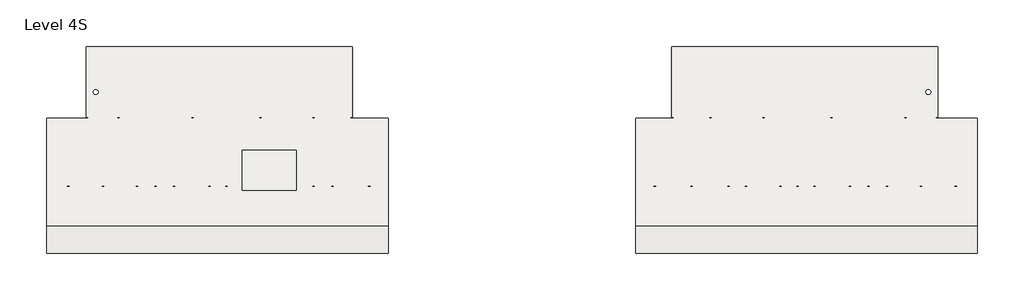
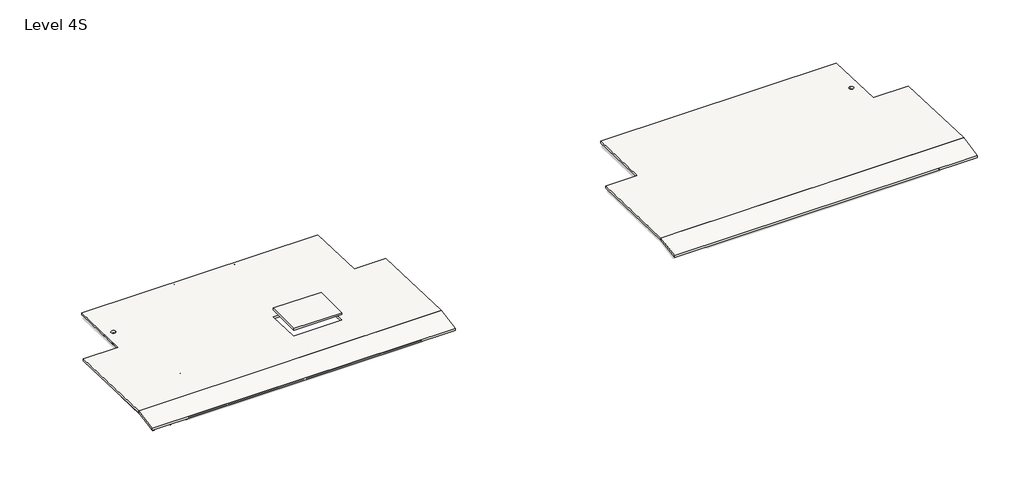
# One storey, part 1 of 15: 5 slabs, 4 beams.
"""IFC4 building model written with IfcOpenShell, lengths in millimetres."""

from ifc_helpers import new_model, si_unit, frame, origin, place, context, project, spatial, polyline, circle_curve, ellipse_curve, faceted_brep, element, save
from ifc_brep_helpers import plane_surface, revolved_surface, advanced_brep

model = new_model("IFC4")

# Units and contexts
model_context = context("Model", 3, world=origin())
ifc_project = project(units=[si_unit("LENGTHUNIT", "METRE", prefix="MILLI")], contexts=[model_context])

# Site, building, storey
site = spatial("IfcSite", under=ifc_project)
building = spatial("IfcBuilding", under=site)
storey = spatial("IfcBuildingStorey", under=building, Name="Level 4S", Elevation=15900.0)

# Beams
placement = place(None, origin())
element("IfcBeam", 1, ObjectType="IPE-Section : IPE 240", at=placement, inside=storey, context=model_context, shape_type="AdvancedBrep", body=[
    advanced_brep(
    [(-55658.8249186, -23184.2208998, 14451.6829017), (-55658.8249186, -23182.5280578, 14442.0302189), (-55538.8249186, -23182.5280578, 14442.0302189), (-55538.8249186, -23184.2208998, 14451.6829017), (-55580.7249186, -23184.2208998, 14451.6829017), (-55595.7249186, -23186.8119844, 14466.4574163), (-55595.7249186, -23219.7014858, 14653.9952543), (-55580.7249186, -23222.2925704, 14668.7697689), (-55538.8249186, -23222.2925704, 14668.7697689), (-55538.8249186, -23223.9854124, 14678.4224517), (-55658.8249186, -23223.9854124, 14678.4224517), (-55658.8249186, -23222.2925704, 14668.7697689), (-55616.9249186, -23222.2925704, 14668.7697689), (-55601.9249186, -23219.7014858, 14653.9952543), (-55601.9249186, -23186.8119844, 14466.4574163), (-55616.9249186, -23184.2208998, 14451.6829017), (-55616.9249186, -21092.1754011, 14818.5759721), (-55658.8249186, -21092.1754011, 14818.5759721), (-55601.9249186, -21093.2402347, 14833.6181534), (-55601.9249186, -21106.7565219, 15024.5535743), (-55616.9249186, -21107.8213555, 15039.5957556), (-55658.8249186, -21107.8213555, 15039.5957556), (-55658.8249186, -21108.5170467, 15049.423314), (-55538.8249186, -21108.5170467, 15049.423314), (-55538.8249186, -21107.8213555, 15039.5957556), (-55580.7249186, -21107.8213555, 15039.5957556), (-55595.7249186, -21106.7565219, 15024.5535743), (-55595.7249186, -21093.2402347, 14833.6181534), (-55580.7249186, -21092.1754011, 14818.5759721), (-55538.8249186, -21092.1754011, 14818.5759721), (-55538.8249186, -21091.4797099, 14808.7484137), (-55658.8249186, -21091.4797099, 14808.7484137)],
    [
        (0, 1),
        (1, 2),
        (2, 3),
        (3, 4),
        (4, 5, circle_curve(frame((-55580.7249186, -23186.8119844, 14466.4574163), z_axis=(0.0, 0.9849676368369048, 0.17273897760471782), x_axis=(1.0, 0.0, 0.0)), 15.0)),
        (5, 6),
        (6, 7, circle_curve(frame((-55580.7249186, -23219.7014858, 14653.9952543), z_axis=(0.0, 0.9849676368369048, 0.17273897760471782), x_axis=(1.0, 0.0, 0.0)), 15.0)),
        (7, 8),
        (8, 9),
        (9, 10),
        (10, 11),
        (11, 12),
        (12, 13, circle_curve(frame((-55616.9249186, -23219.7014858, 14653.9952543), z_axis=(0.0, 0.9849676368369048, 0.17273897760471782), x_axis=(1.0, 0.0, 0.0)), 15.0)),
        (13, 14),
        (14, 15, circle_curve(frame((-55616.9249186, -23186.8119844, 14466.4574163), z_axis=(0.0, 0.9849676368369048, 0.17273897760471782), x_axis=(1.0, 0.0, 0.0)), 15.0)),
        (15, 0),
        (16, 17),
        (17, 0),
        (15, 16),
        (18, 16, ellipse_curve(frame((-55616.9249186, -21093.2402347, 14833.6181534), z_axis=(0.0, 0.9975037774235432, 0.07061312927326088), x_axis=(0.0, 0.07061312927326037, -0.9975037774235433)), 15.0798239, 15.0)),
        (14, 18),
        (19, 18),
        (13, 19),
        (20, 19, ellipse_curve(frame((-55616.9249186, -21106.7565219, 15024.5535743), z_axis=(0.0, 0.9975037774235432, 0.07061312927326088), x_axis=(0.0, 0.07061312927326037, -0.9975037774235433)), 15.0798239, 15.0)),
        (12, 20),
        (21, 20),
        (11, 21),
        (22, 21),
        (10, 22),
        (23, 22),
        (9, 23),
        (24, 23),
        (8, 24),
        (25, 24),
        (7, 25),
        (26, 25, ellipse_curve(frame((-55580.7249186, -21106.7565219, 15024.5535743), z_axis=(0.0, 0.9975037774235432, 0.07061312927326088), x_axis=(0.0, 0.07061312927326037, -0.9975037774235433)), 15.0798239, 15.0)),
        (6, 26),
        (27, 26),
        (5, 27),
        (28, 27, ellipse_curve(frame((-55580.7249186, -21093.2402347, 14833.6181534), z_axis=(0.0, 0.9975037774235432, 0.07061312927326088), x_axis=(0.0, 0.07061312927326037, -0.9975037774235433)), 15.0798239, 15.0)),
        (4, 28),
        (29, 28),
        (3, 29),
        (30, 29),
        (2, 30),
        (31, 30),
        (1, 31),
        (17, 31),
    ],
    [
        plane_surface(frame((-55598.8249186, -23203.2567351, 14560.2263353), z_axis=(0.0, -0.9849676368369048, -0.17273897760471782), x_axis=(0.0, -0.17273897760471782, 0.9849676368369048))),
        plane_surface(frame((-55658.8249186, -21068.7525341, 14822.683764), z_axis=(0.0, -0.17273897760471782, 0.9849676368369048), x_axis=(0.0, -0.9849676368369048, -0.17273897760471782))),
        revolved_surface(polyline([(-55601.9249186, -23186.811984462965, 14466.457416246258), (-55601.9249186, -21091.71398358211, 14833.885820103322)]), (-55616.9249186, -21071.3436187, 14837.4582786), (0.0, -0.9849676368369048, -0.17273897760471782)),
        plane_surface(frame((-55601.9249186, -21071.3436187, 14837.4582786), z_axis=(-1.0, 0.0, 0.0), x_axis=(0.0, -0.9849676368369048, -0.17273897760471782))),
        revolved_surface(polyline([(-55601.9249186, -23219.70148580975, 14653.995254355592), (-55601.9249186, -21105.230270801516, 15024.821241113985)]), (-55616.9249186, -21104.2331201, 15024.9961167), (0.0, -0.9849676368369048, -0.17273897760471782)),
        plane_surface(frame((-55616.9249186, -21106.8242047, 15039.7706312), z_axis=(0.0, 0.17273897760471782, -0.9849676368369048), x_axis=(0.0, -0.9849676368369048, -0.17273897760471782))),
        plane_surface(frame((-55658.8249186, -21106.8242047, 15039.7706312), z_axis=(-1.0, 0.0, 0.0), x_axis=(0.0, -0.9849676368369048, -0.17273897760471782))),
        plane_surface(frame((-55658.8249186, -21108.5170467, 15049.423314), z_axis=(0.0, -0.17273897760471782, 0.9849676368369048), x_axis=(0.0, -0.9849676368369048, -0.17273897760471782))),
        plane_surface(frame((-55538.8249186, -21108.5170467, 15049.423314), z_axis=(1.0, 0.0, 0.0), x_axis=(0.0, -0.9849676368369048, -0.17273897760471782))),
        plane_surface(frame((-55538.8249186, -21106.8242047, 15039.7706312), z_axis=(0.0, 0.17273897760471782, -0.9849676368369048), x_axis=(0.0, -0.9849676368369048, -0.17273897760471782))),
        revolved_surface(polyline([(-55565.7249186, -23219.70148580975, 14653.995254355592), (-55565.7249186, -21105.230270801516, 15024.821241113985)]), (-55580.7249186, -21104.2331201, 15024.9961167), (0.0, -0.9849676368369048, -0.17273897760471782)),
        plane_surface(frame((-55595.7249186, -21104.2331201, 15024.9961167), z_axis=(1.0, 0.0, 0.0), x_axis=(0.0, -0.9849676368369048, -0.17273897760471782))),
        revolved_surface(polyline([(-55565.7249186, -23186.811984462965, 14466.457416246258), (-55565.7249186, -21091.71398358211, 14833.885820103322)]), (-55580.7249186, -21071.3436187, 14837.4582786), (0.0, -0.9849676368369048, -0.17273897760471782)),
        plane_surface(frame((-55580.7249186, -21068.7525341, 14822.683764), z_axis=(0.0, -0.17273897760471782, 0.9849676368369048), x_axis=(0.0, -0.9849676368369048, -0.17273897760471782))),
        plane_surface(frame((-55538.8249186, -21068.7525341, 14822.683764), z_axis=(1.0, 0.0, 0.0), x_axis=(0.0, -0.9849676368369048, -0.17273897760471782))),
        plane_surface(frame((-55538.8249186, -21067.0596921, 14813.0310812), z_axis=(0.0, 0.17273897760471782, -0.9849676368369048), x_axis=(0.0, -0.9849676368369048, -0.17273897760471782))),
        plane_surface(frame((-55658.8249186, -21067.0596921, 14813.0310812), z_axis=(-1.0, 0.0, 0.0), x_axis=(0.0, -0.9849676368369048, -0.17273897760471782))),
        plane_surface(frame((-55598.8249186, -21108.5170467, 15049.423314), z_axis=(0.0, 0.9975037774235432, 0.07061312927326088), x_axis=(1.0, 0.0, 0.0))),
    ],
    [
        (0, [[1, 2, 3, 4, 5, 6, 7, 8, 9, 10, 11, 12, 13, 14, 15, 16]]),
        (1, [[17, 18, -16, 19]]),
        (2, [[20, -19, -15, 21]]),
        (3, [[22, -21, -14, 23]]),
        (4, [[24, -23, -13, 25]]),
        (5, [[26, -25, -12, 27]]),
        (6, [[28, -27, -11, 29]]),
        (7, [[30, -29, -10, 31]]),
        (8, [[32, -31, -9, 33]]),
        (9, [[34, -33, -8, 35]]),
        (10, [[36, -35, -7, 37]]),
        (11, [[38, -37, -6, 39]]),
        (12, [[40, -39, -5, 41]]),
        (13, [[42, -41, -4, 43]]),
        (14, [[44, -43, -3, 45]]),
        (15, [[46, -45, -2, 47]]),
        (16, [[48, -47, -1, -18]]),
        (17, [[-17, -20, -22, -24, -26, -28, -30, -32, -34, -36, -38, -40, -42, -44, -46, -48]]),
    ],
),
])
element("IfcBeam", 2, ObjectType="IPE-Section : IPE 300", at=placement, inside=storey, context=model_context, shape_type="AdvancedBrep", body=[
    advanced_brep(
    [(-57252.5749186, -23133.8597928, 14400.5130236), (-57252.5749186, -23132.0114858, 14389.9738699), (-57102.5749186, -23132.0114858, 14389.9738699), (-57102.5749186, -23133.8597928, 14400.5130236), (-57159.0249186, -23133.8597928, 14400.5130236), (-57174.0249186, -23136.4508775, 14415.2875382), (-57174.0249186, -23179.3937873, 14660.1504927), (-57159.0249186, -23181.984872, 14674.9250073), (-57102.5749186, -23181.984872, 14674.9250073), (-57102.5749186, -23183.8331791, 14685.464161), (-57252.5749186, -23183.8331791, 14685.464161), (-57252.5749186, -23181.984872, 14674.9250073), (-57196.1249186, -23181.984872, 14674.9250073), (-57181.1249186, -23179.3937873, 14660.1504927), (-57181.1249186, -23136.4508775, 14415.2875382), (-57196.1249186, -23133.8597928, 14400.5130236), (-57196.1249186, -21087.9799569, 14759.3097779), (-57252.5749186, -21087.9799569, 14759.3097779), (-57181.1249186, -21089.0447905, 14774.3519592), (-57181.1249186, -21106.6926319, 15023.6510435), (-57196.1249186, -21107.7574654, 15038.6932247), (-57252.5749186, -21107.7574654, 15038.6932247), (-57252.5749186, -21108.5170467, 15049.423314), (-57102.5749186, -21108.5170467, 15049.423314), (-57102.5749186, -21107.7574654, 15038.6932247), (-57159.0249186, -21107.7574654, 15038.6932247), (-57174.0249186, -21106.6926319, 15023.6510435), (-57174.0249186, -21089.0447905, 14774.3519592), (-57159.0249186, -21087.9799569, 14759.3097779), (-57102.5749186, -21087.9799569, 14759.3097779), (-57102.5749186, -21087.2203757, 14748.5796886), (-57252.5749186, -21087.2203757, 14748.5796886)],
    [
        (0, 1),
        (1, 2),
        (2, 3),
        (3, 4),
        (4, 5, circle_curve(frame((-57159.0249186, -23136.4508775, 14415.2875382), z_axis=(0.0, 0.9849676368369048, 0.17273897760471782), x_axis=(1.0, 0.0, 0.0)), 15.0)),
        (5, 6),
        (6, 7, circle_curve(frame((-57159.0249186, -23179.3937873, 14660.1504927), z_axis=(0.0, 0.9849676368369048, 0.17273897760471782), x_axis=(1.0, 0.0, 0.0)), 15.0)),
        (7, 8),
        (8, 9),
        (9, 10),
        (10, 11),
        (11, 12),
        (12, 13, circle_curve(frame((-57196.1249186, -23179.3937873, 14660.1504927), z_axis=(0.0, 0.9849676368369048, 0.17273897760471782), x_axis=(1.0, 0.0, 0.0)), 15.0)),
        (13, 14),
        (14, 15, circle_curve(frame((-57196.1249186, -23136.4508775, 14415.2875382), z_axis=(0.0, 0.9849676368369048, 0.17273897760471782), x_axis=(1.0, 0.0, 0.0)), 15.0)),
        (15, 0),
        (16, 17),
        (17, 0),
        (15, 16),
        (18, 16, ellipse_curve(frame((-57196.1249186, -21089.0447905, 14774.3519592), z_axis=(0.0, 0.9975037774235432, 0.07061312927326102), x_axis=(0.0, 0.07061312927326045, -0.9975037774235433)), 15.0798239, 15.0)),
        (14, 18),
        (19, 18),
        (13, 19),
        (20, 19, ellipse_curve(frame((-57196.1249186, -21106.6926319, 15023.6510435), z_axis=(0.0, 0.9975037774235432, 0.07061312927326102), x_axis=(0.0, 0.07061312927326045, -0.9975037774235433)), 15.0798239, 15.0)),
        (12, 20),
        (21, 20),
        (11, 21),
        (22, 21),
        (10, 22),
        (23, 22),
        (9, 23),
        (24, 23),
        (8, 24),
        (25, 24),
        (7, 25),
        (26, 25, ellipse_curve(frame((-57159.0249186, -21106.6926319, 15023.6510435), z_axis=(0.0, 0.9975037774235432, 0.07061312927326102), x_axis=(0.0, 0.07061312927326045, -0.9975037774235433)), 15.0798239, 15.0)),
        (6, 26),
        (27, 26),
        (5, 27),
        (28, 27, ellipse_curve(frame((-57159.0249186, -21089.0447905, 14774.3519592), z_axis=(0.0, 0.9975037774235432, 0.07061312927326102), x_axis=(0.0, 0.07061312927326045, -0.9975037774235433)), 15.0798239, 15.0)),
        (4, 28),
        (29, 28),
        (3, 29),
        (30, 29),
        (2, 30),
        (31, 30),
        (1, 31),
        (17, 31),
    ],
    [
        plane_surface(frame((-57177.5749186, -23157.9223324, 14537.7190154), z_axis=(0.0, -0.9849676368369048, -0.17273897760471782), x_axis=(0.0, -0.17273897760471782, 0.9849676368369048))),
        plane_surface(frame((-57252.5749186, -21058.5436605, 14764.4721767), z_axis=(0.0, -0.17273897760471782, 0.9849676368369048), x_axis=(0.0, -0.9849676368369048, -0.17273897760471782))),
        revolved_surface(polyline([(-57181.1249186, -23136.45087750587, 14415.287538233479), (-57181.1249186, -21087.518539388486, 14774.619625939673)]), (-57196.1249186, -21061.1347452, 14779.2466913), (0.0, -0.9849676368369048, -0.17273897760471782)),
        plane_surface(frame((-57181.1249186, -21061.1347452, 14779.2466913), z_axis=(-1.0, 0.0, 0.0), x_axis=(0.0, -0.9849676368369048, -0.17273897760471782))),
        revolved_surface(polyline([(-57181.1249186, -23179.393787332658, 14660.15049272878), (-57181.1249186, -21105.16638074767, 15023.918710214391)]), (-57196.1249186, -21104.077655, 15024.1096458), (0.0, -0.9849676368369048, -0.17273897760471782)),
        plane_surface(frame((-57196.1249186, -21106.6687397, 15038.8841603), z_axis=(0.0, 0.17273897760471782, -0.9849676368369048), x_axis=(0.0, -0.9849676368369048, -0.17273897760471782))),
        plane_surface(frame((-57252.5749186, -21106.6687397, 15038.8841603), z_axis=(-1.0, 0.0, 0.0), x_axis=(0.0, -0.9849676368369048, -0.17273897760471782))),
        plane_surface(frame((-57252.5749186, -21108.5170467, 15049.423314), z_axis=(0.0, -0.17273897760471782, 0.9849676368369048), x_axis=(0.0, -0.9849676368369048, -0.17273897760471782))),
        plane_surface(frame((-57102.5749186, -21108.5170467, 15049.423314), z_axis=(1.0, 0.0, 0.0), x_axis=(0.0, -0.9849676368369048, -0.17273897760471782))),
        plane_surface(frame((-57102.5749186, -21106.6687397, 15038.8841603), z_axis=(0.0, 0.17273897760471782, -0.9849676368369048), x_axis=(0.0, -0.9849676368369048, -0.17273897760471782))),
        revolved_surface(polyline([(-57144.0249186, -23179.393787332658, 14660.15049272878), (-57144.0249186, -21105.16638074767, 15023.918710214391)]), (-57159.0249186, -21104.077655, 15024.1096458), (0.0, -0.9849676368369048, -0.17273897760471782)),
        plane_surface(frame((-57174.0249186, -21104.077655, 15024.1096458), z_axis=(1.0, 0.0, 0.0), x_axis=(0.0, -0.9849676368369048, -0.17273897760471782))),
        revolved_surface(polyline([(-57144.0249186, -23136.45087750587, 14415.287538233479), (-57144.0249186, -21087.518539388486, 14774.619625939673)]), (-57159.0249186, -21061.1347452, 14779.2466913), (0.0, -0.9849676368369048, -0.17273897760471782)),
        plane_surface(frame((-57159.0249186, -21058.5436605, 14764.4721767), z_axis=(0.0, -0.17273897760471782, 0.9849676368369048), x_axis=(0.0, -0.9849676368369048, -0.17273897760471782))),
        plane_surface(frame((-57102.5749186, -21058.5436605, 14764.4721767), z_axis=(1.0, 0.0, 0.0), x_axis=(0.0, -0.9849676368369048, -0.17273897760471782))),
        plane_surface(frame((-57102.5749186, -21056.6953534, 14753.933023), z_axis=(0.0, 0.17273897760471782, -0.9849676368369048), x_axis=(0.0, -0.9849676368369048, -0.17273897760471782))),
        plane_surface(frame((-57252.5749186, -21056.6953534, 14753.933023), z_axis=(-1.0, 0.0, 0.0), x_axis=(0.0, -0.9849676368369048, -0.17273897760471782))),
        plane_surface(frame((-57177.5749186, -21108.5170467, 15049.423314), z_axis=(0.0, 0.9975037774235432, 0.07061312927326102), x_axis=(1.0, 0.0, 0.0))),
    ],
    [
        (0, [[1, 2, 3, 4, 5, 6, 7, 8, 9, 10, 11, 12, 13, 14, 15, 16]]),
        (1, [[17, 18, -16, 19]]),
        (2, [[20, -19, -15, 21]]),
        (3, [[22, -21, -14, 23]]),
        (4, [[24, -23, -13, 25]]),
        (5, [[26, -25, -12, 27]]),
        (6, [[28, -27, -11, 29]]),
        (7, [[30, -29, -10, 31]]),
        (8, [[32, -31, -9, 33]]),
        (9, [[34, -33, -8, 35]]),
        (10, [[36, -35, -7, 37]]),
        (11, [[38, -37, -6, 39]]),
        (12, [[40, -39, -5, 41]]),
        (13, [[42, -41, -4, 43]]),
        (14, [[44, -43, -3, 45]]),
        (15, [[46, -45, -2, 47]]),
        (16, [[48, -47, -1, -18]]),
        (17, [[-17, -20, -22, -24, -26, -28, -30, -32, -34, -36, -38, -40, -42, -44, -46, -48]]),
    ],
),
])
element("IfcBeam", 3, ObjectType="IPE-Section : IPE 300", at=placement, inside=storey, context=model_context, shape_type="AdvancedBrep", body=[
    advanced_brep(
    [(-57252.5749186, -17964.1676642, 14658.4822093), (-57196.1249186, -17964.1676642, 14658.4822093), (-57181.1249186, -17963.6837599, 14673.4744018), (-57181.1249186, -17955.663852, 14921.9450058), (-57196.1249186, -17955.1799476, 14936.9371984), (-57252.5749186, -17955.1799476, 14936.9371984), (-57252.5749186, -17954.8347625, 14947.631629), (-57102.5749186, -17954.8347625, 14947.631629), (-57102.5749186, -17955.1799476, 14936.9371984), (-57159.0249186, -17955.1799476, 14936.9371984), (-57174.0249186, -17955.663852, 14921.9450058), (-57174.0249186, -17963.6837599, 14673.4744018), (-57159.0249186, -17964.1676642, 14658.4822093), (-57102.5749186, -17964.1676642, 14658.4822093), (-57102.5749186, -17964.5128493, 14647.7877786), (-57252.5749186, -17964.5128493, 14647.7877786), (-57252.5749186, -21087.9799569, 14759.3097779), (-57196.1249186, -21087.9799569, 14759.3097779), (-57181.1249186, -21089.0447905, 14774.3519592), (-57181.1249186, -21106.6926319, 15023.6510435), (-57196.1249186, -21107.7574654, 15038.6932247), (-57252.5749186, -21107.7574654, 15038.6932247), (-57252.5749186, -21108.5170467, 15049.423314), (-57102.5749186, -21108.5170467, 15049.423314), (-57102.5749186, -21107.7574654, 15038.6932247), (-57159.0249186, -21107.7574654, 15038.6932247), (-57174.0249186, -21106.6926319, 15023.6510435), (-57174.0249186, -21089.0447905, 14774.3519592), (-57159.0249186, -21087.9799569, 14759.3097779), (-57102.5749186, -21087.9799569, 14759.3097779), (-57102.5749186, -21087.2203757, 14748.5796886), (-57252.5749186, -21087.2203757, 14748.5796886)],
    [
        (0, 1),
        (1, 2, circle_curve(frame((-57196.1249186, -17963.6837599, 14673.4744018), z_axis=(0.0, -0.9994795014102584, 0.032260289222220004), x_axis=(1.0, 0.0, 0.0)), 15.0)),
        (2, 3),
        (3, 4, circle_curve(frame((-57196.1249186, -17955.663852, 14921.9450058), z_axis=(0.0, -0.9994795014102584, 0.032260289222220004), x_axis=(1.0, 0.0, 0.0)), 15.0)),
        (4, 5),
        (5, 6),
        (6, 7),
        (7, 8),
        (8, 9),
        (9, 10, circle_curve(frame((-57159.0249186, -17955.663852, 14921.9450058), z_axis=(0.0, -0.9994795014102584, 0.032260289222220004), x_axis=(1.0, 0.0, 0.0)), 15.0)),
        (10, 11),
        (11, 12, circle_curve(frame((-57159.0249186, -17963.6837599, 14673.4744018), z_axis=(0.0, -0.9994795014102584, 0.032260289222220004), x_axis=(1.0, 0.0, 0.0)), 15.0)),
        (12, 13),
        (13, 14),
        (14, 15),
        (15, 0),
        (0, 16),
        (16, 17),
        (17, 1),
        (17, 18, ellipse_curve(frame((-57196.1249186, -21089.0447905, 14774.3519592), z_axis=(0.0, -0.9975037774235432, -0.07061312927326102), x_axis=(0.0, -0.07061312927326112, 0.9975037774235431)), 15.0798239, 15.0)),
        (18, 2),
        (18, 19),
        (19, 3),
        (19, 20, ellipse_curve(frame((-57196.1249186, -21106.6926319, 15023.6510435), z_axis=(0.0, -0.9975037774235432, -0.07061312927326102), x_axis=(0.0, -0.07061312927326112, 0.9975037774235431)), 15.0798239, 15.0)),
        (20, 4),
        (20, 21),
        (21, 5),
        (21, 22),
        (22, 6),
        (22, 23),
        (23, 7),
        (23, 24),
        (24, 8),
        (24, 25),
        (25, 9),
        (25, 26, ellipse_curve(frame((-57159.0249186, -21106.6926319, 15023.6510435), z_axis=(0.0, -0.9975037774235432, -0.07061312927326102), x_axis=(0.0, -0.07061312927326112, 0.9975037774235431)), 15.0798239, 15.0)),
        (26, 10),
        (26, 27),
        (27, 11),
        (27, 28, ellipse_curve(frame((-57159.0249186, -21089.0447905, 14774.3519592), z_axis=(0.0, -0.9975037774235432, -0.07061312927326102), x_axis=(0.0, -0.07061312927326112, 0.9975037774235431)), 15.0798239, 15.0)),
        (28, 12),
        (28, 29),
        (29, 13),
        (29, 30),
        (30, 14),
        (30, 31),
        (31, 15),
        (31, 16),
    ],
    [
        plane_surface(frame((-57177.5749186, -17959.6738059, 14797.7097038), z_axis=(0.0, 0.9994795014102584, -0.032260289222220004), x_axis=(0.0, 0.032260289222220004, 0.9994795014102584))),
        plane_surface(frame((-57252.5749186, -17964.1676642, 14658.4822093), z_axis=(0.0, 0.032260289222220004, 0.9994795014102584), x_axis=(0.0, -0.9994795014102584, 0.032260289222220004))),
        revolved_surface(polyline([(-57181.1249186, -21090.59352839387, 14774.401947948834), (-57181.1249186, -17963.683759862386, 14673.474401798787)]), (-57196.1249186, -17963.6837599, 14673.4744018), (0.0, -0.9994795014102584, 0.032260289222220004)),
        plane_surface(frame((-57181.1249186, -17963.6837599, 14673.4744018), z_axis=(-1.0, 0.0, 0.0), x_axis=(0.0, -0.9994795014102584, 0.032260289222220004))),
        revolved_surface(polyline([(-57181.1249186, -21108.241369795844, 15023.701032187795), (-57181.1249186, -17955.663851940943, 14921.945005798094)]), (-57196.1249186, -17955.663852, 14921.9450058), (0.0, -0.9994795014102584, 0.032260289222220004)),
        plane_surface(frame((-57196.1249186, -17955.1799476, 14936.9371984), z_axis=(0.0, -0.032260289222220004, -0.9994795014102584), x_axis=(0.0, -0.9994795014102584, 0.032260289222220004))),
        plane_surface(frame((-57252.5749186, -17955.1799476, 14936.9371984), z_axis=(-1.0, 0.0, 0.0), x_axis=(0.0, -0.9994795014102584, 0.032260289222220004))),
        plane_surface(frame((-57252.5749186, -17954.8347625, 14947.631629), z_axis=(0.0, 0.032260289222220004, 0.9994795014102584), x_axis=(0.0, -0.9994795014102584, 0.032260289222220004))),
        plane_surface(frame((-57102.5749186, -17954.8347625, 14947.631629), z_axis=(1.0, 0.0, 0.0), x_axis=(0.0, -0.9994795014102584, 0.032260289222220004))),
        plane_surface(frame((-57102.5749186, -17955.1799476, 14936.9371984), z_axis=(0.0, -0.032260289222220004, -0.9994795014102584), x_axis=(0.0, -0.9994795014102584, 0.032260289222220004))),
        revolved_surface(polyline([(-57144.0249186, -21108.241369795844, 15023.701032187795), (-57144.0249186, -17955.663851940943, 14921.945005798094)]), (-57159.0249186, -17955.663852, 14921.9450058), (0.0, -0.9994795014102584, 0.032260289222220004)),
        plane_surface(frame((-57174.0249186, -17955.663852, 14921.9450058), z_axis=(1.0, 0.0, 0.0), x_axis=(0.0, -0.9994795014102584, 0.032260289222220004))),
        revolved_surface(polyline([(-57144.0249186, -21090.59352839387, 14774.401947948834), (-57144.0249186, -17963.683759862386, 14673.474401798787)]), (-57159.0249186, -17963.6837599, 14673.4744018), (0.0, -0.9994795014102584, 0.032260289222220004)),
        plane_surface(frame((-57159.0249186, -17964.1676642, 14658.4822093), z_axis=(0.0, 0.032260289222220004, 0.9994795014102584), x_axis=(0.0, -0.9994795014102584, 0.032260289222220004))),
        plane_surface(frame((-57102.5749186, -17964.1676642, 14658.4822093), z_axis=(1.0, 0.0, 0.0), x_axis=(0.0, -0.9994795014102584, 0.032260289222220004))),
        plane_surface(frame((-57102.5749186, -17964.5128493, 14647.7877786), z_axis=(0.0, -0.032260289222220004, -0.9994795014102584), x_axis=(0.0, -0.9994795014102584, 0.032260289222220004))),
        plane_surface(frame((-57252.5749186, -17964.5128493, 14647.7877786), z_axis=(-1.0, 0.0, 0.0), x_axis=(0.0, -0.9994795014102584, 0.032260289222220004))),
        plane_surface(frame((-57177.5749186, -21108.5170467, 15049.423314), z_axis=(0.0, -0.9975037774235432, -0.07061312927326102), x_axis=(1.0, 0.0, 0.0))),
    ],
    [
        (0, [[1, 2, 3, 4, 5, 6, 7, 8, 9, 10, 11, 12, 13, 14, 15, 16]]),
        (1, [[-1, 17, 18, 19]]),
        (2, [[-2, -19, 20, 21]]),
        (3, [[-3, -21, 22, 23]]),
        (4, [[-4, -23, 24, 25]]),
        (5, [[-5, -25, 26, 27]]),
        (6, [[-6, -27, 28, 29]]),
        (7, [[-7, -29, 30, 31]]),
        (8, [[-8, -31, 32, 33]]),
        (9, [[-9, -33, 34, 35]]),
        (10, [[-10, -35, 36, 37]]),
        (11, [[-11, -37, 38, 39]]),
        (12, [[-12, -39, 40, 41]]),
        (13, [[-13, -41, 42, 43]]),
        (14, [[-14, -43, 44, 45]]),
        (15, [[-15, -45, 46, 47]]),
        (16, [[-16, -47, 48, -17]]),
        (17, [[-48, -46, -44, -42, -40, -38, -36, -34, -32, -30, -28, -26, -24, -22, -20, -18]]),
    ],
),
])
element("IfcBeam", 4, ObjectType="IPE-Section : IPE 300", at=placement, inside=storey, context=model_context, shape_type="AdvancedBrep", body=[
    advanced_brep(
    [(-54095.0749186, -23134.1189736, 14400.4675697), (-54095.0749186, -23132.2706666, 14389.928416), (-53945.0749186, -23132.2706666, 14389.928416), (-53945.0749186, -23134.1189736, 14400.4675697), (-54001.5249186, -23134.1189736, 14400.4675697), (-54016.5249186, -23136.7100583, 14415.2420843), (-54016.5249186, -23179.6529681, 14660.1050388), (-54001.5249186, -23182.2440528, 14674.8795534), (-53945.0749186, -23182.2440528, 14674.8795534), (-53945.0749186, -23184.0923598, 14685.4187071), (-54095.0749186, -23184.0923598, 14685.4187071), (-54095.0749186, -23182.2440528, 14674.8795534), (-54038.6249186, -23182.2440528, 14674.8795534), (-54023.6249186, -23179.6529681, 14660.1050388), (-54023.6249186, -23136.7100583, 14415.2420843), (-54038.6249186, -23134.1189736, 14400.4675697), (-54038.6249186, -21087.9799569, 14759.3097779), (-54095.0749186, -21087.9799569, 14759.3097779), (-54023.6249186, -21089.0447905, 14774.3519592), (-54023.6249186, -21106.6926319, 15023.6510435), (-54038.6249186, -21107.7574654, 15038.6932247), (-54095.0749186, -21107.7574654, 15038.6932247), (-54095.0749186, -21108.5170467, 15049.423314), (-53945.0749186, -21108.5170467, 15049.423314), (-53945.0749186, -21107.7574654, 15038.6932247), (-54001.5249186, -21107.7574654, 15038.6932247), (-54016.5249186, -21106.6926319, 15023.6510435), (-54016.5249186, -21089.0447905, 14774.3519592), (-54001.5249186, -21087.9799569, 14759.3097779), (-53945.0749186, -21087.9799569, 14759.3097779), (-53945.0749186, -21087.2203757, 14748.5796886), (-54095.0749186, -21087.2203757, 14748.5796886)],
    [
        (0, 1),
        (1, 2),
        (2, 3),
        (3, 4),
        (4, 5, circle_curve(frame((-54001.5249186, -23136.7100583, 14415.2420843), z_axis=(0.0, 0.9849676368369048, 0.17273897760471782), x_axis=(1.0, 0.0, 0.0)), 15.0)),
        (5, 6),
        (6, 7, circle_curve(frame((-54001.5249186, -23179.6529681, 14660.1050388), z_axis=(0.0, 0.9849676368369048, 0.17273897760471782), x_axis=(1.0, 0.0, 0.0)), 15.0)),
        (7, 8),
        (8, 9),
        (9, 10),
        (10, 11),
        (11, 12),
        (12, 13, circle_curve(frame((-54038.6249186, -23179.6529681, 14660.1050388), z_axis=(0.0, 0.9849676368369048, 0.17273897760471782), x_axis=(1.0, 0.0, 0.0)), 15.0)),
        (13, 14),
        (14, 15, circle_curve(frame((-54038.6249186, -23136.7100583, 14415.2420843), z_axis=(0.0, 0.9849676368369048, 0.17273897760471782), x_axis=(1.0, 0.0, 0.0)), 15.0)),
        (15, 0),
        (16, 17),
        (17, 0),
        (15, 16),
        (18, 16, ellipse_curve(frame((-54038.6249186, -21089.0447905, 14774.3519592), z_axis=(0.0, 0.9975037774235432, 0.07061312927326102), x_axis=(0.0, 0.07061312927326045, -0.9975037774235433)), 15.0798239, 15.0)),
        (14, 18),
        (19, 18),
        (13, 19),
        (20, 19, ellipse_curve(frame((-54038.6249186, -21106.6926319, 15023.6510435), z_axis=(0.0, 0.9975037774235432, 0.07061312927326102), x_axis=(0.0, 0.07061312927326045, -0.9975037774235433)), 15.0798239, 15.0)),
        (12, 20),
        (21, 20),
        (11, 21),
        (22, 21),
        (10, 22),
        (23, 22),
        (9, 23),
        (24, 23),
        (8, 24),
        (25, 24),
        (7, 25),
        (26, 25, ellipse_curve(frame((-54001.5249186, -21106.6926319, 15023.6510435), z_axis=(0.0, 0.9975037774235432, 0.07061312927326102), x_axis=(0.0, 0.07061312927326045, -0.9975037774235433)), 15.0798239, 15.0)),
        (6, 26),
        (27, 26),
        (5, 27),
        (28, 27, ellipse_curve(frame((-54001.5249186, -21089.0447905, 14774.3519592), z_axis=(0.0, 0.9975037774235432, 0.07061312927326102), x_axis=(0.0, 0.07061312927326045, -0.9975037774235433)), 15.0798239, 15.0)),
        (4, 28),
        (29, 28),
        (3, 29),
        (30, 29),
        (2, 30),
        (31, 30),
        (1, 31),
        (17, 31),
    ],
    [
        plane_surface(frame((-54020.0749186, -23158.1815132, 14537.6735615), z_axis=(0.0, -0.9849676368369048, -0.17273897760471782), x_axis=(0.0, -0.17273897760471782, 0.9849676368369048))),
        plane_surface(frame((-54095.0749186, -21058.5436605, 14764.4721767), z_axis=(0.0, -0.17273897760471782, 0.9849676368369048), x_axis=(0.0, -0.9849676368369048, -0.17273897760471782))),
        revolved_surface(polyline([(-54023.6249186, -23136.710058304845, 14415.24208432763), (-54023.6249186, -21087.518539388486, 14774.619625939673)]), (-54038.6249186, -21061.1347452, 14779.2466913), (0.0, -0.9849676368369048, -0.17273897760471782)),
        plane_surface(frame((-54023.6249186, -21061.1347452, 14779.2466913), z_axis=(-1.0, 0.0, 0.0), x_axis=(0.0, -0.9849676368369048, -0.17273897760471782))),
        revolved_surface(polyline([(-54023.6249186, -23179.65296813163, 14660.10503882293), (-54023.6249186, -21105.16638074767, 15023.918710214391)]), (-54038.6249186, -21104.077655, 15024.1096458), (0.0, -0.9849676368369048, -0.17273897760471782)),
        plane_surface(frame((-54038.6249186, -21106.6687397, 15038.8841603), z_axis=(0.0, 0.17273897760471782, -0.9849676368369048), x_axis=(0.0, -0.9849676368369048, -0.17273897760471782))),
        plane_surface(frame((-54095.0749186, -21106.6687397, 15038.8841603), z_axis=(-1.0, 0.0, 0.0), x_axis=(0.0, -0.9849676368369048, -0.17273897760471782))),
        plane_surface(frame((-54095.0749186, -21108.5170467, 15049.423314), z_axis=(0.0, -0.17273897760471782, 0.9849676368369048), x_axis=(0.0, -0.9849676368369048, -0.17273897760471782))),
        plane_surface(frame((-53945.0749186, -21108.5170467, 15049.423314), z_axis=(1.0, 0.0, 0.0), x_axis=(0.0, -0.9849676368369048, -0.17273897760471782))),
        plane_surface(frame((-53945.0749186, -21106.6687397, 15038.8841603), z_axis=(0.0, 0.17273897760471782, -0.9849676368369048), x_axis=(0.0, -0.9849676368369048, -0.17273897760471782))),
        revolved_surface(polyline([(-53986.5249186, -23179.65296813163, 14660.10503882293), (-53986.5249186, -21105.16638074767, 15023.918710214391)]), (-54001.5249186, -21104.077655, 15024.1096458), (0.0, -0.9849676368369048, -0.17273897760471782)),
        plane_surface(frame((-54016.5249186, -21104.077655, 15024.1096458), z_axis=(1.0, 0.0, 0.0), x_axis=(0.0, -0.9849676368369048, -0.17273897760471782))),
        revolved_surface(polyline([(-53986.5249186, -23136.710058304845, 14415.24208432763), (-53986.5249186, -21087.518539388486, 14774.619625939673)]), (-54001.5249186, -21061.1347452, 14779.2466913), (0.0, -0.9849676368369048, -0.17273897760471782)),
        plane_surface(frame((-54001.5249186, -21058.5436605, 14764.4721767), z_axis=(0.0, -0.17273897760471782, 0.9849676368369048), x_axis=(0.0, -0.9849676368369048, -0.17273897760471782))),
        plane_surface(frame((-53945.0749186, -21058.5436605, 14764.4721767), z_axis=(1.0, 0.0, 0.0), x_axis=(0.0, -0.9849676368369048, -0.17273897760471782))),
        plane_surface(frame((-53945.0749186, -21056.6953534, 14753.933023), z_axis=(0.0, 0.17273897760471782, -0.9849676368369048), x_axis=(0.0, -0.9849676368369048, -0.17273897760471782))),
        plane_surface(frame((-54095.0749186, -21056.6953534, 14753.933023), z_axis=(-1.0, 0.0, 0.0), x_axis=(0.0, -0.9849676368369048, -0.17273897760471782))),
        plane_surface(frame((-54020.0749186, -21108.5170467, 15049.423314), z_axis=(0.0, 0.9975037774235432, 0.07061312927326102), x_axis=(1.0, 0.0, 0.0))),
    ],
    [
        (0, [[1, 2, 3, 4, 5, 6, 7, 8, 9, 10, 11, 12, 13, 14, 15, 16]]),
        (1, [[17, 18, -16, 19]]),
        (2, [[20, -19, -15, 21]]),
        (3, [[22, -21, -14, 23]]),
        (4, [[24, -23, -13, 25]]),
        (5, [[26, -25, -12, 27]]),
        (6, [[28, -27, -11, 29]]),
        (7, [[30, -29, -10, 31]]),
        (8, [[32, -31, -9, 33]]),
        (9, [[34, -33, -8, 35]]),
        (10, [[36, -35, -7, 37]]),
        (11, [[38, -37, -6, 39]]),
        (12, [[40, -39, -5, 41]]),
        (13, [[42, -41, -4, 43]]),
        (14, [[44, -43, -3, 45]]),
        (15, [[46, -45, -2, 47]]),
        (16, [[48, -47, -1, -18]]),
        (17, [[-17, -20, -22, -24, -26, -28, -30, -32, -34, -36, -38, -40, -42, -44, -46, -48]]),
    ],
),
])

# Slabs
element("IfcSlab", 5, ObjectType="Lattice Girder Slab 50/180", at=placement, inside=storey, context=model_context, shape_type="Brep", body=[
    faceted_brep([(-36425.0711521, -14729.7248986, 15720.0), (-36425.0711521, -14879.7248986, 15720.0), (-36425.0711521, -17944.7248986, 15720.0), (-36425.0711521, -18094.7248986, 15720.0), (-40957.5711521, -18094.7248986, 15720.0), (-40957.5711521, -14729.7248986, 15720.0), (-36425.0711521, -14729.7248986, 15900.0), (-40957.5711521, -14729.7248986, 15900.0), (-40957.5711521, -18094.7248986, 15900.0), (-36425.0711521, -18094.7248986, 15900.0)], [[[0, 1, 2, 3, 4, 5]], [[6, 7, 8, 9]], [[3, 2, 1, 0, 6, 9]], [[4, 3, 9, 8]], [[5, 4, 8, 7]], [[0, 5, 7, 6]]]),
])
element("IfcSlab", 6, ObjectType="Metal Deck Composite Slab 70/200", at=placement, inside=storey, context=model_context, shape_type="AdvancedBrep", body=[
    advanced_brep(
    [(-57425.0749186, -12044.7248986, 14749.4548535), (-54087.5749186, -12044.7248986, 14749.4548535), (-54087.5749186, -6014.7248986, 14549.8905004), (-31727.5749186, -6014.7248986, 14549.8905004), (-31727.5749186, -12034.2248986, 14749.1073534), (-28727.5749186, -12034.2248986, 14749.1073534), (-28727.5749186, -21122.6334648, 15049.8905004), (-57425.0749186, -21122.6334648, 15049.8905004), (-53494.9312843, -9844.3712807, 14676.6336021), (-53094.9312843, -9844.3712807, 14676.6336021), (-40957.5711521, -18094.7248986, 14949.6811116), (-36425.0711521, -18094.7248986, 14949.6811116), (-36425.0711521, -14729.7248986, 14838.3155978), (-40957.5711521, -14729.7248986, 14838.3155978), (-54087.5749186, -12044.7248986, 14949.5643531), (-57425.0749186, -12044.7248986, 14949.5643531), (-57425.0749186, -21122.6334648, 15250.0), (-28727.5749186, -21122.6334648, 15250.0), (-28727.5749186, -12034.2248986, 14949.216853), (-31727.5749186, -12034.2248986, 14949.216853), (-31727.5749186, -6014.7248986, 14750.0), (-54087.5749186, -6014.7248986, 14750.0), (-53094.9312843, -9844.3712807, 14876.7431016), (-53494.9312843, -9844.3712807, 14876.7431016), (-36425.0711521, -18094.7248986, 15149.7906112), (-40957.5711521, -18094.7248986, 15149.7906112), (-40957.5711521, -14729.7248986, 15038.4250974), (-36425.0711521, -14729.7248986, 15038.4250974)],
    [
        (0, 1),
        (1, 2),
        (2, 3),
        (3, 4),
        (4, 5),
        (5, 6),
        (6, 7),
        (7, 0),
        (8, 9, ellipse_curve(frame((-53294.9312843, -9844.3712807, 14676.6336021), z_axis=(0.0, 0.03307713960955858, 0.9994528017046377), x_axis=(0.0, -0.9994528017046376, 0.03307713960955691)), 200.1094996, 200.0)),
        (9, 8, ellipse_curve(frame((-53294.9312843, -9844.3712807, 14676.6336021), z_axis=(0.0, 0.03307713960955858, 0.9994528017046377), x_axis=(0.0, -0.9994528017046376, 0.03307713960955691)), 200.1094996, 200.0)),
        (10, 11),
        (11, 12),
        (12, 13),
        (13, 10),
        (14, 15),
        (15, 16),
        (16, 17),
        (17, 18),
        (18, 19),
        (19, 20),
        (20, 21),
        (21, 14),
        (22, 23, ellipse_curve(frame((-53294.9312843, -9844.3712807, 14876.7431016), z_axis=(0.0, -0.03307713960955858, -0.9994528017046377), x_axis=(0.0, -0.9994528017046376, 0.03307713960955691)), 200.1094996, 200.0)),
        (23, 22, ellipse_curve(frame((-53294.9312843, -9844.3712807, 14876.7431016), z_axis=(0.0, -0.03307713960955858, -0.9994528017046377), x_axis=(0.0, -0.9994528017046376, 0.03307713960955691)), 200.1094996, 200.0)),
        (24, 25),
        (25, 26),
        (26, 27),
        (27, 24),
        (0, 15),
        (14, 1),
        (21, 2),
        (20, 3),
        (19, 4),
        (18, 5),
        (17, 6),
        (16, 7),
        (8, 23),
        (22, 9),
        (10, 25),
        (24, 11),
        (27, 12),
        (26, 13),
    ],
    [
        plane_surface(frame((-42907.5749186, -6014.7248986, 14549.8905004), z_axis=(0.0, -0.03307713960955858, -0.9994528017046377), x_axis=(0.0, -0.9994528017046377, 0.03307713960955858))),
        plane_surface(frame((-42907.5749186, -6014.7248986, 14750.0), z_axis=(0.0, 0.03307713960955858, 0.9994528017046377), x_axis=(0.0, 0.9994528017046377, -0.03307713960955858))),
        plane_surface(frame((-57425.0749186, -12044.7248986, 14749.4548535), z_axis=(0.0, 1.0, 0.0), x_axis=(0.0, 0.0, 1.0))),
        plane_surface(frame((-54087.5749186, -12044.7248986, 14749.4548535), z_axis=(-1.0, 0.0, 0.0), x_axis=(0.0, 0.0, 1.0))),
        plane_surface(frame((-54087.5749186, -6014.7248986, 14549.8905004), z_axis=(0.0, 1.0, 0.0), x_axis=(0.0, 0.0, 1.0))),
        plane_surface(frame((-31727.5749186, -6014.7248986, 14549.8905004), z_axis=(1.0, 0.0, 0.0), x_axis=(0.0, 0.0, 1.0))),
        plane_surface(frame((-31727.5749186, -12034.2248986, 14749.1073534), z_axis=(0.0, 1.0, 0.0), x_axis=(0.0, 0.0, 1.0))),
        plane_surface(frame((-28727.5749186, -12034.2248986, 14749.1073534), z_axis=(1.0, 0.0, 0.0), x_axis=(0.0, 0.0, 1.0))),
        plane_surface(frame((-28727.5749186, -21122.6334648, 15049.8905004), z_axis=(0.0, -1.0, 0.0), x_axis=(0.0, 0.0, 1.0))),
        plane_surface(frame((-57425.0749186, -21122.6334648, 15049.8905004), z_axis=(-1.0, 0.0, 0.0), x_axis=(0.0, 0.0, 1.0))),
        revolved_surface(polyline([(-53094.9312843, -9844.3712807, 14883.362151455467), (-53094.9312843, -9844.3712807, 14670.014552244533)]), (-53294.9312843, -9844.3712807, 11900.0), (0.0, 0.0, 1.0)),
        plane_surface(frame((-40957.5711521, -18094.7248986, 14949.6811116), z_axis=(0.0, 1.0, 0.0), x_axis=(0.0, 0.0, 1.0))),
        plane_surface(frame((-36425.0711521, -18094.7248986, 14949.6811116), z_axis=(-1.0, 0.0, 0.0), x_axis=(0.0, 0.0, 1.0))),
        plane_surface(frame((-36425.0711521, -14729.7248986, 14838.3155978), z_axis=(0.0, -1.0, 0.0), x_axis=(0.0, 0.0, 1.0))),
        plane_surface(frame((-40957.5711521, -14729.7248986, 14838.3155978), z_axis=(1.0, 0.0, 0.0), x_axis=(0.0, 0.0, 1.0))),
    ],
    [
        (0, [[1, 2, 3, 4, 5, 6, 7, 8], [9, 10], [11, 12, 13, 14]]),
        (1, [[15, 16, 17, 18, 19, 20, 21, 22], [23, 24], [25, 26, 27, 28]]),
        (2, [[-1, 29, -15, 30]]),
        (3, [[-2, -30, -22, 31]]),
        (4, [[-3, -31, -21, 32]]),
        (5, [[-4, -32, -20, 33]]),
        (6, [[-5, -33, -19, 34]]),
        (7, [[-6, -34, -18, 35]]),
        (8, [[-7, -35, -17, 36]]),
        (9, [[-8, -36, -16, -29]]),
        (10, [[37, -23, 38, -9]]),
        (10, [[-37, -10, -38, -24]]),
        (11, [[-11, 39, -25, 40]]),
        (12, [[-12, -40, -28, 41]]),
        (13, [[-13, -41, -27, 42]]),
        (14, [[-14, -42, -26, -39]]),
    ],
),
])
element("IfcSlab", 7, ObjectType="Metal Deck Composite Slab 70/200", at=placement, inside=storey, context=model_context, shape_type="Brep", body=[
    faceted_brep([(-28727.5749186, -23403.45659, 14646.9476432), (-57425.0749186, -23403.45659, 14646.9476432), (-57425.0749186, -21122.6334648, 15046.9476432), (-28727.5749186, -21122.6334648, 15046.9476432), (-28727.5749186, -23403.45659, 14850.0), (-28727.5749186, -21122.6334648, 15250.0), (-57425.0749186, -21122.6334648, 15250.0), (-57425.0749186, -23403.45659, 14850.0), (-57425.0749186, -21122.6334648, 15049.8905004), (-28727.5749186, -21122.6334648, 15049.8905004)], [[[0, 1, 2, 3]], [[4, 5, 6, 7]], [[1, 0, 4, 7]], [[2, 1, 7, 6, 8]], [[3, 2, 8, 6, 5, 9]], [[0, 3, 9, 5, 4]]]),
])
element("IfcSlab", 8, ObjectType="Metal Deck Composite Slab 70/200", at=placement, inside=storey, context=model_context, shape_type="AdvancedBrep", body=[
    advanced_brep(
    [(17472.4250814, -12044.7248986, 14749.4548535), (20809.9250814, -12044.7248986, 14749.4548535), (20809.9250814, -21122.6334648, 15049.8905004), (-7887.5749186, -21122.6334648, 15049.8905004), (-7887.5749186, -12034.2248986, 14749.1073534), (-4887.5749186, -12034.2248986, 14749.1073534), (-4887.5749186, -6014.7248986, 14549.8905004), (17472.4250814, -6014.7248986, 14549.8905004), (16679.7814471, -10044.3712807, 14683.2526519), (16679.7814471, -9644.3712807, 14670.0145522), (20809.9250814, -12044.7248986, 14949.5643531), (17472.4250814, -12044.7248986, 14949.5643531), (17472.4250814, -6014.7248986, 14750.0), (-4887.5749186, -6014.7248986, 14750.0), (-4887.5749186, -12034.2248986, 14949.216853), (-7887.5749186, -12034.2248986, 14949.216853), (-7887.5749186, -21122.6334648, 15250.0), (20809.9250814, -21122.6334648, 15250.0), (16679.7814471, -9644.3712807, 14870.1240518), (16679.7814471, -10044.3712807, 14883.3621515)],
    [
        (0, 1),
        (1, 2),
        (2, 3),
        (3, 4),
        (4, 5),
        (5, 6),
        (6, 7),
        (7, 0),
        (8, 9, ellipse_curve(frame((16679.7814471, -9844.3712807, 14676.6336021), z_axis=(0.0, 0.03307713960955858, 0.9994528017046377), x_axis=(0.0, -0.9994528017046376, 0.03307713960955691)), 200.1094996, 200.0)),
        (9, 8, ellipse_curve(frame((16679.7814471, -9844.3712807, 14676.6336021), z_axis=(0.0, 0.03307713960955858, 0.9994528017046377), x_axis=(0.0, -0.9994528017046376, 0.03307713960955691)), 200.1094996, 200.0)),
        (10, 11),
        (11, 12),
        (12, 13),
        (13, 14),
        (14, 15),
        (15, 16),
        (16, 17),
        (17, 10),
        (18, 19, ellipse_curve(frame((16679.7814471, -9844.3712807, 14876.7431016), z_axis=(0.0, -0.03307713960955858, -0.9994528017046377), x_axis=(0.0, -0.9994528017046376, 0.03307713960955691)), 200.1094996, 200.0)),
        (19, 18, ellipse_curve(frame((16679.7814471, -9844.3712807, 14876.7431016), z_axis=(0.0, -0.03307713960955858, -0.9994528017046377), x_axis=(0.0, -0.9994528017046376, 0.03307713960955691)), 200.1094996, 200.0)),
        (0, 11),
        (10, 1),
        (7, 12),
        (6, 13),
        (5, 14),
        (4, 15),
        (3, 16),
        (2, 17),
        (8, 19),
        (18, 9),
    ],
    [
        plane_surface(frame((6292.4250814, -6014.7248986, 14549.8905004), z_axis=(0.0, -0.03307713960955858, -0.9994528017046377), x_axis=(0.0, -0.9994528017046377, 0.03307713960955858))),
        plane_surface(frame((6292.4250814, -6014.7248986, 14750.0), z_axis=(0.0, 0.03307713960955858, 0.9994528017046377), x_axis=(0.0, 0.9994528017046377, -0.03307713960955858))),
        plane_surface(frame((17472.4250814, -12044.7248986, 14749.4548535), z_axis=(0.0, 1.0, 0.0), x_axis=(0.0, 0.0, 1.0))),
        plane_surface(frame((17472.4250814, -6014.7248986, 14549.8905004), z_axis=(1.0, 0.0, 0.0), x_axis=(0.0, 0.0, 1.0))),
        plane_surface(frame((-4887.5749186, -6014.7248986, 14549.8905004), z_axis=(0.0, 1.0, 0.0), x_axis=(0.0, 0.0, 1.0))),
        plane_surface(frame((-4887.5749186, -12034.2248986, 14749.1073534), z_axis=(-1.0, 0.0, 0.0), x_axis=(0.0, 0.0, 1.0))),
        plane_surface(frame((-7887.5749186, -12034.2248986, 14749.1073534), z_axis=(0.0, 1.0, 0.0), x_axis=(0.0, 0.0, 1.0))),
        plane_surface(frame((-7887.5749186, -21122.6334648, 15049.8905004), z_axis=(-1.0, 0.0, 0.0), x_axis=(0.0, 0.0, 1.0))),
        plane_surface(frame((20809.9250814, -21122.6334648, 15049.8905004), z_axis=(0.0, -1.0, 0.0), x_axis=(0.0, 0.0, 1.0))),
        plane_surface(frame((20809.9250814, -12044.7248986, 14749.4548535), z_axis=(1.0, 0.0, 0.0), x_axis=(0.0, 0.0, 1.0))),
        revolved_surface(polyline([(16679.7814471, -9644.3712807, 14883.3621515), (16679.7814471, -9644.3712807, 14670.0145522)]), (16679.7814471, -9844.3712807, 11900.0), (0.0, 0.0, 1.0)),
    ],
    [
        (0, [[1, 2, 3, 4, 5, 6, 7, 8], [9, 10]]),
        (1, [[11, 12, 13, 14, 15, 16, 17, 18], [19, 20]]),
        (2, [[-1, 21, -11, 22]]),
        (3, [[-8, 23, -12, -21]]),
        (4, [[-7, 24, -13, -23]]),
        (5, [[-6, 25, -14, -24]]),
        (6, [[-5, 26, -15, -25]]),
        (7, [[-4, 27, -16, -26]]),
        (8, [[-3, 28, -17, -27]]),
        (9, [[-2, -22, -18, -28]]),
        (10, [[29, -19, 30, -9]]),
        (10, [[-29, -10, -30, -20]]),
    ],
),
])
element("IfcSlab", 9, ObjectType="Metal Deck Composite Slab 70/200", at=placement, inside=storey, context=model_context, shape_type="Brep", body=[
    faceted_brep([(-7887.5749186, -23403.45659, 14646.9476432), (-7887.5749186, -21122.6334648, 15046.9476432), (20809.9250814, -21122.6334648, 15046.9476432), (20809.9250814, -23403.45659, 14646.9476432), (-7887.5749186, -23403.45659, 14850.0), (20809.9250814, -23403.45659, 14850.0), (20809.9250814, -21122.6334648, 15250.0), (-7887.5749186, -21122.6334648, 15250.0), (20809.9250814, -21122.6334648, 15049.8905004), (-7887.5749186, -21122.6334648, 15049.8905004)], [[[0, 1, 2, 3]], [[4, 5, 6, 7]], [[0, 3, 5, 4]], [[3, 2, 8, 6, 5]], [[2, 1, 9, 7, 6, 8]], [[1, 0, 4, 7, 9]]]),
])

save(model, "model.ifc")
